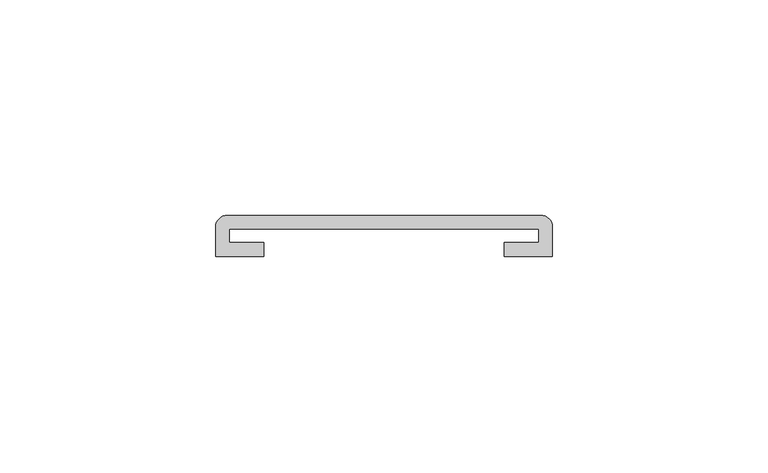
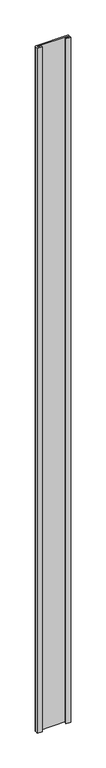
"""IFC4 building model written with IfcOpenShell, lengths in millimetres: furniture geometry."""

from ifc_helpers import new_model, si_unit, point, frame, frame_2d, origin, place, context, project, spatial, polyline, circle_curve, trimmed, segment, composite_curve, outline, extrude, source, transform, mapped, element, save


def furniture_1d5abf3c(model_context):
    return source(origin(), model_context, "Body", "SweptSolid", [
        extrude(outline(composite_curve([segment(polyline([(-39.0921875, 29.5671875), (-39.0921875, 36.3108875)]), True, "CONTINUOUS"), segment(trimmed(circle_curve(frame_2d((-36.3108875, 36.3108875)), 2.7813), [point((-39.0921875, 36.3108875))], [point((-36.3108875, 39.0921875))], False, "CARTESIAN"), True, "CONTINUOUS"), segment(polyline([(-36.3108875, 39.0921875), (36.3331141, 39.0921875)]), True, "CONTINUOUS"), segment(trimmed(circle_curve(frame_2d((36.3331141, 36.3330253)), 2.7591622), [point((36.3331141, 39.0921875))], [point((39.0921875, 36.3108875))], False, "CARTESIAN"), True, "CONTINUOUS"), segment(polyline([(39.0921875, 36.3108875), (39.0921875, 29.5671875), (27.9161879, 29.5671875), (27.9161879, 32.7421875), (35.9171875, 32.7421875), (35.9171875, 35.9171875), (-35.9171875, 35.9171875), (-35.9171875, 32.7421875), (-27.9161879, 32.7421875), (-27.9161879, 29.5671875), (-39.0921875, 29.5671875)]), True, "CONTINUOUS")], self_intersect=False)), frame((0.0, 0.0, 14.2875), z_axis=(0.0, 0.0, 1.0), x_axis=(1.0, 0.0, 0.0)), (0.0, 0.0, 1.0), 1694.8546875),
    ])


if __name__ == "__main__":
    model = new_model("IFC4")
    model_context = context("Model", 3, world=origin())
    ifc_project = project(units=[si_unit("LENGTHUNIT", "METRE", prefix="MILLI")], contexts=[model_context])
    site = spatial("IfcSite", under=ifc_project)
    building = spatial("IfcBuilding", under=site)
    placement = place(None, origin())
    furniture_shape = furniture_1d5abf3c(model_context)
    element("IfcFurniture", 1, at=placement, inside=building, context=model_context, shape_type="MappedRepresentation", body=[
        mapped(furniture_shape, transform((0.0, 0.0, 0.0), x_axis=(1.0, 0.0, 0.0), y_axis=(0.0, 1.0, 0.0), z_axis=(0.0, 0.0, 1.0))),
    ])
    save(model, "model.ifc")
